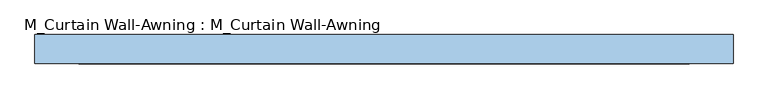
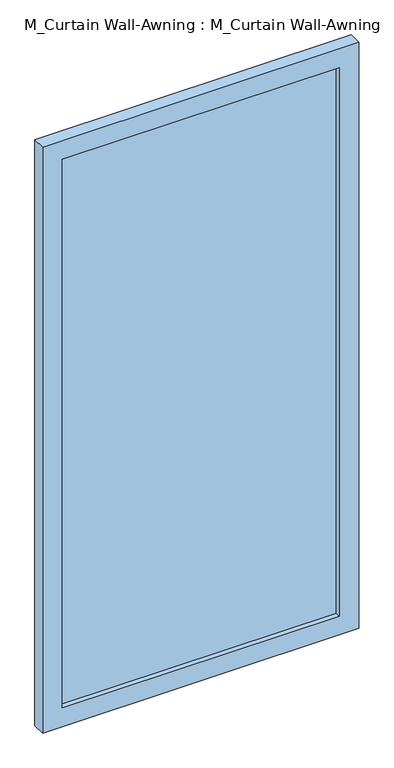
"""IFC4 building model written with IfcOpenShell, lengths in millimetres: window geometry, M_Curtain Wall-Awning : M_Curtain Wall-Awning."""

from ifc_helpers import new_model, si_unit, frame, origin, place, context, project, spatial, polyline, outline, extrude, source, transform, mapped, element, save


def m_curtain_wall_awning_m_curtain_wall_awning_020b8a76(model_context):
    return source(origin(), model_context, "Body", "SweptSolid", [
        extrude(outline(polyline([(524.9999999, 44.05), (-524.9999999, 44.05), (-524.9999999, 56.75), (524.9999999, 56.75), (524.9999999, 44.05)])), frame((0.0, 0.0, 75.0), z_axis=(0.0, 0.0, 1.0), x_axis=(1.0, 0.0, 0.0)), (0.0, 0.0, 1.0), 2200.0),
        extrude(outline(polyline([(2350.0, -599.9999999), (0.0, -599.9999999), (0.0, 599.9999999), (2350.0, 599.9999999), (2350.0, -599.9999999)]), holes=[polyline([(2275.0, -524.9999999), (2275.0, 524.9999999), (75.0, 524.9999999), (75.0, -524.9999999), (2275.0, -524.9999999)])]), frame((0.0, 25.0, 0.0), z_axis=(0.0, 1.0, 0.0), x_axis=(0.0, 0.0, 1.0)), (0.0, 0.0, 1.0), 50.0),
    ])


if __name__ == "__main__":
    model = new_model("IFC4")
    model_context = context("Model", 3, world=origin())
    ifc_project = project(units=[si_unit("LENGTHUNIT", "METRE", prefix="MILLI")], contexts=[model_context])
    site = spatial("IfcSite", under=ifc_project)
    building = spatial("IfcBuilding", under=site)
    placement = place(None, origin())
    m_curtain_wall_awning_m_curtain_wall_awning_shape = m_curtain_wall_awning_m_curtain_wall_awning_020b8a76(model_context)
    element("IfcWindow", 1, ObjectType="M_Curtain Wall-Awning : M_Curtain Wall-Awning", at=placement, inside=building, context=model_context, shape_type="MappedRepresentation", body=[
        mapped(m_curtain_wall_awning_m_curtain_wall_awning_shape, transform((0.0, 0.0, 0.0), x_axis=(1.0, 0.0, 0.0), y_axis=(0.0, 1.0, 0.0), z_axis=(0.0, 0.0, 1.0))),
    ])
    save(model, "model.ifc")
